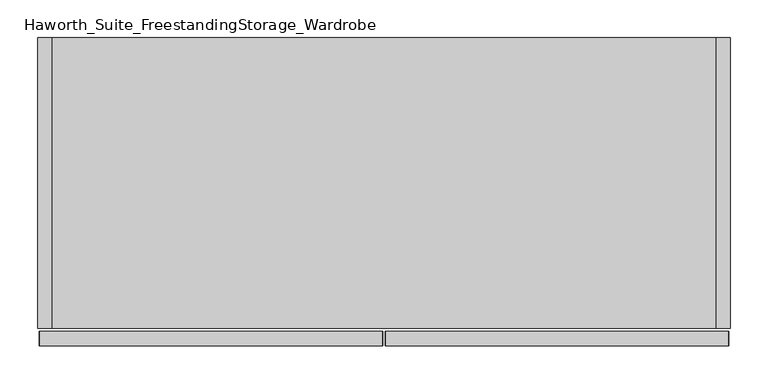
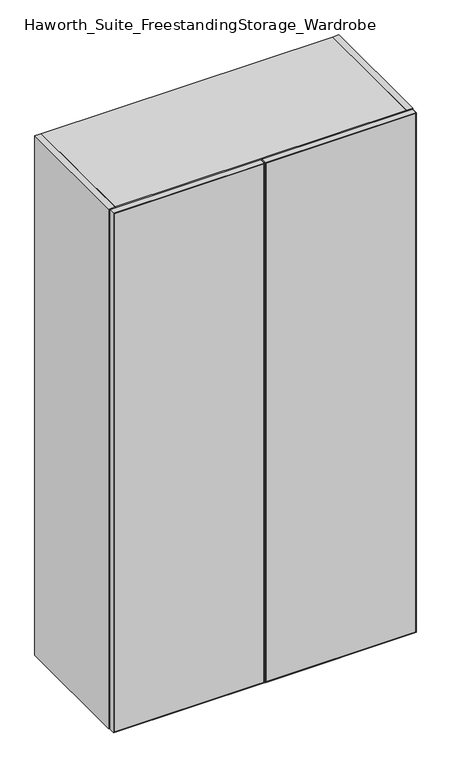
"""IFC4 building model written with IfcOpenShell, lengths in millimetres: furniture geometry, Haworth_Suite_FreestandingStorage_Wardrobe."""

from ifc_helpers import new_model, si_unit, point, frame, frame_2d, origin, origin_with_axes, place, context, project, spatial, polyline, circle_curve, trimmed, segment, composite_curve, outline, extrude, source, transform, mapped, element, save


def haworth_suite_freestandingstorage_wardrobe_740ec635(model_context):
    return source(origin(), model_context, "Body", "SweptSolid", [
        extrude(outline(polyline([(1651.0, -14.2875), (1649.4125, -15.875), (1.5875, -15.875), (0.0, -14.2875), (1651.0, -14.2875)])), frame((0.0, -419.89375, 0.0), z_axis=(0.0, 1.0, 0.0), x_axis=(0.0, 0.0, 1.0)), (0.0, 0.0, 1.0), 19.05),
        extrude(outline(polyline([(1651.0, -468.3125), (0.0, -468.3125), (1.5875, -466.725), (1649.4125, -466.725), (1651.0, -468.3125)])), frame((0.0, -419.89375, 0.0), z_axis=(0.0, 1.0, 0.0), x_axis=(0.0, 0.0, 1.0)), (0.0, 0.0, 1.0), 19.05),
        extrude(outline(polyline([(1649.4125, -15.875), (1651.0, -14.2875), (1651.0, -468.3125), (1649.4125, -466.725), (1649.4125, -15.875)])), frame((0.0, -419.89375, 0.0), z_axis=(0.0, 1.0, 0.0), x_axis=(0.0, 0.0, 1.0)), (0.0, 0.0, 1.0), 19.05),
        extrude(outline(polyline([(1.5875, -15.875), (1.5875, -466.725), (0.0, -468.3125), (0.0, -14.2875), (1.5875, -15.875)])), frame((0.0, -419.89375, 0.0), z_axis=(0.0, 1.0, 0.0), x_axis=(0.0, 0.0, 1.0)), (0.0, 0.0, 1.0), 19.05),
        extrude(outline(polyline([(-466.725, -401.6375), (-15.875, -401.6375), (-15.875, -419.1), (-466.725, -419.1), (-466.725, -401.6375)])), frame((0.0, 0.0, 1.5875), z_axis=(0.0, 0.0, 1.0), x_axis=(1.0, 0.0, 0.0)), (0.0, 0.0, 1.0), 1647.825),
        extrude(outline(polyline([(1651.0, -11.1125), (0.0, -11.1125), (1.5875, -9.525), (1649.4125, -9.525), (1651.0, -11.1125)])), frame((0.0, -419.89375, 0.0), z_axis=(0.0, 1.0, 0.0), x_axis=(0.0, 0.0, 1.0)), (0.0, 0.0, 1.0), 19.05),
        extrude(outline(polyline([(1651.0, 442.9125), (1649.4125, 441.325), (1.5875, 441.325), (0.0, 442.9125), (1651.0, 442.9125)])), frame((0.0, -419.89375, 0.0), z_axis=(0.0, 1.0, 0.0), x_axis=(0.0, 0.0, 1.0)), (0.0, 0.0, 1.0), 19.05),
        extrude(outline(polyline([(1649.4125, -9.525), (1649.4125, 441.325), (1651.0, 442.9125), (1651.0, -11.1125), (1649.4125, -9.525)])), frame((0.0, -419.89375, 0.0), z_axis=(0.0, 1.0, 0.0), x_axis=(0.0, 0.0, 1.0)), (0.0, 0.0, 1.0), 19.05),
        extrude(outline(polyline([(1.5875, -9.525), (0.0, -11.1125), (0.0, 442.9125), (1.5875, 441.325), (1.5875, -9.525)])), frame((0.0, -419.89375, 0.0), z_axis=(0.0, 1.0, 0.0), x_axis=(0.0, 0.0, 1.0)), (0.0, 0.0, 1.0), 19.05),
        extrude(outline(polyline([(441.325, -401.6375), (441.325, -419.1), (-9.525, -419.1), (-9.525, -401.6375), (441.325, -401.6375)])), frame((0.0, 0.0, 1.5875), z_axis=(0.0, 0.0, 1.0), x_axis=(1.0, 0.0, 0.0)), (0.0, 0.0, 1.0), 1647.825),
        extrude(outline(composite_curve([segment(trimmed(circle_curve(frame_2d((1524.0, 158.75)), 12.7), [point((1524.0, 171.45))], [point((1524.0, 146.05))], False, "CARTESIAN"), True, "CONTINUOUS"), segment(trimmed(circle_curve(frame_2d((1524.0, 158.75)), 12.7), [point((1524.0, 146.05))], [point((1524.0, 171.45))], False, "CARTESIAN"), True, "CONTINUOUS")], self_intersect=False)), frame((0.0, -88.9, 0.0), z_axis=(0.0, 1.0, 0.0), x_axis=(0.0, 0.0, 1.0)), (0.0, 0.0, 1.0), 57.15),
        extrude(outline(polyline([(-107.95, -31.75), (-107.95, -396.875), (-127.0, -396.875), (-127.0, -31.75), (-107.95, -31.75)])), frame((0.0, 0.0, 38.1), z_axis=(0.0, 0.0, 1.0), x_axis=(1.0, 0.0, 0.0)), (0.0, 0.0, 1.0), 1593.85),
        extrude(outline(polyline([(-127.0, -31.75), (-127.0, -377.825), (-450.85, -377.825), (-450.85, -31.75), (-127.0, -31.75)])), frame((0.0, 0.0, 431.8), z_axis=(0.0, 0.0, 1.0), x_axis=(1.0, 0.0, 0.0)), (0.0, 0.0, 1.0), 19.05),
        extrude(outline(polyline([(-127.0, -31.75), (-127.0, -377.825), (-450.85, -377.825), (-450.85, -31.75), (-127.0, -31.75)])), frame((0.0, 0.0, 831.85), z_axis=(0.0, 0.0, 1.0), x_axis=(1.0, 0.0, 0.0)), (0.0, 0.0, 1.0), 19.05),
        extrude(outline(polyline([(-127.0, -31.75), (-127.0, -377.825), (-450.85, -377.825), (-450.85, -31.75), (-127.0, -31.75)])), frame((0.0, 0.0, 1231.9), z_axis=(0.0, 0.0, 1.0), x_axis=(1.0, 0.0, 0.0)), (0.0, 0.0, 1.0), 19.05),
        extrude(outline(polyline([(425.45, -12.7), (425.45, -396.875), (-450.85, -396.875), (-450.85, -12.7), (425.45, -12.7)])), frame((0.0, 0.0, 1631.95), z_axis=(0.0, 0.0, 1.0), x_axis=(1.0, 0.0, 0.0)), (0.0, 0.0, 1.0), 19.05),
        extrude(outline(polyline([(425.45, -12.7), (425.45, -31.75), (-450.85, -31.75), (-450.85, -12.7), (425.45, -12.7)])), origin_with_axes(), (0.0, 0.0, 1.0), 1631.95),
        extrude(outline(polyline([(425.45, -31.75), (425.45, -396.875), (-450.85, -396.875), (-450.85, -31.75), (425.45, -31.75)])), origin_with_axes(), (0.0, 0.0, 1.0), 38.1),
        extrude(outline(polyline([(-450.85, -12.7), (-450.85, -396.875), (-469.9, -396.875), (-469.9, -12.7), (-450.85, -12.7)])), origin_with_axes(), (0.0, 0.0, 1.0), 1651.0),
        extrude(outline(polyline([(444.5, -396.875), (425.45, -396.875), (425.45, -12.7), (444.5, -12.7), (444.5, -396.875)])), origin_with_axes(), (0.0, 0.0, 1.0), 1651.0),
    ])


if __name__ == "__main__":
    model = new_model("IFC4")
    model_context = context("Model", 3, world=origin())
    ifc_project = project(units=[si_unit("LENGTHUNIT", "METRE", prefix="MILLI")], contexts=[model_context])
    site = spatial("IfcSite", under=ifc_project)
    building = spatial("IfcBuilding", under=site)
    placement = place(None, origin())
    haworth_suite_freestandingstorage_wardrobe_shape = haworth_suite_freestandingstorage_wardrobe_740ec635(model_context)
    element("IfcFurniture", 1, ObjectType="Haworth_Suite_FreestandingStorage_Wardrobe", at=placement, inside=building, context=model_context, shape_type="MappedRepresentation", body=[
        mapped(haworth_suite_freestandingstorage_wardrobe_shape, transform((0.0, 0.0, 0.0), x_axis=(1.0, 0.0, 0.0), y_axis=(0.0, 1.0, 0.0), z_axis=(0.0, 0.0, 1.0))),
    ])
    save(model, "model.ifc")
